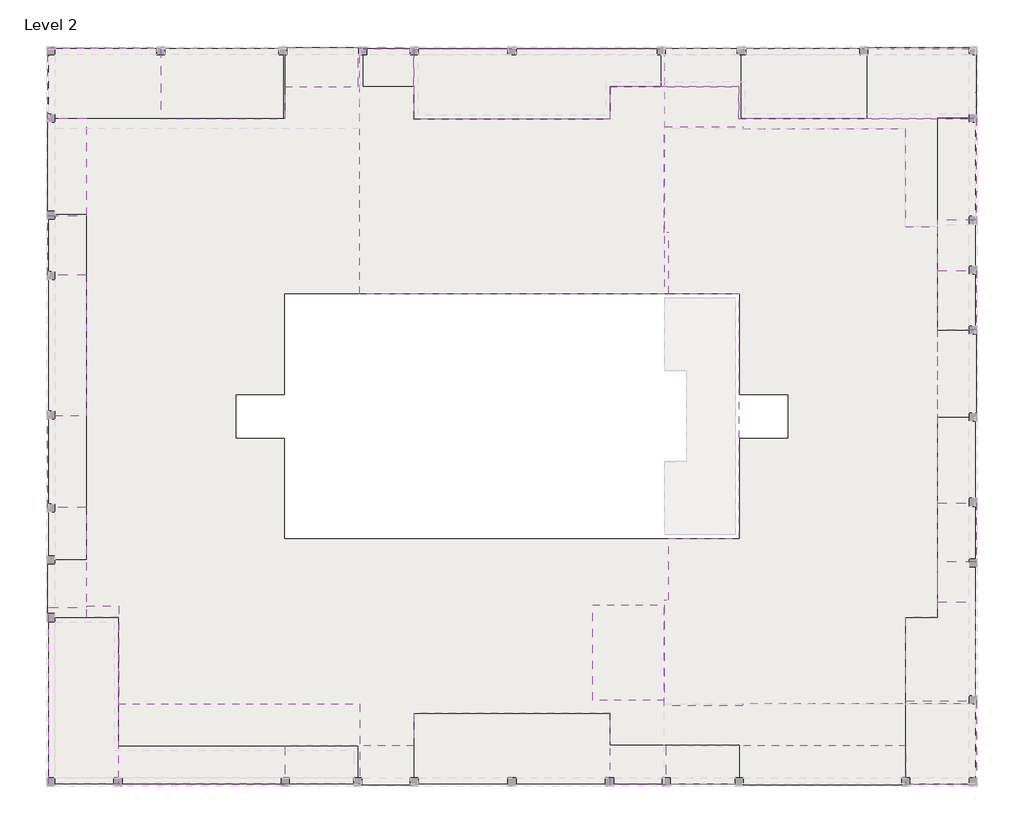
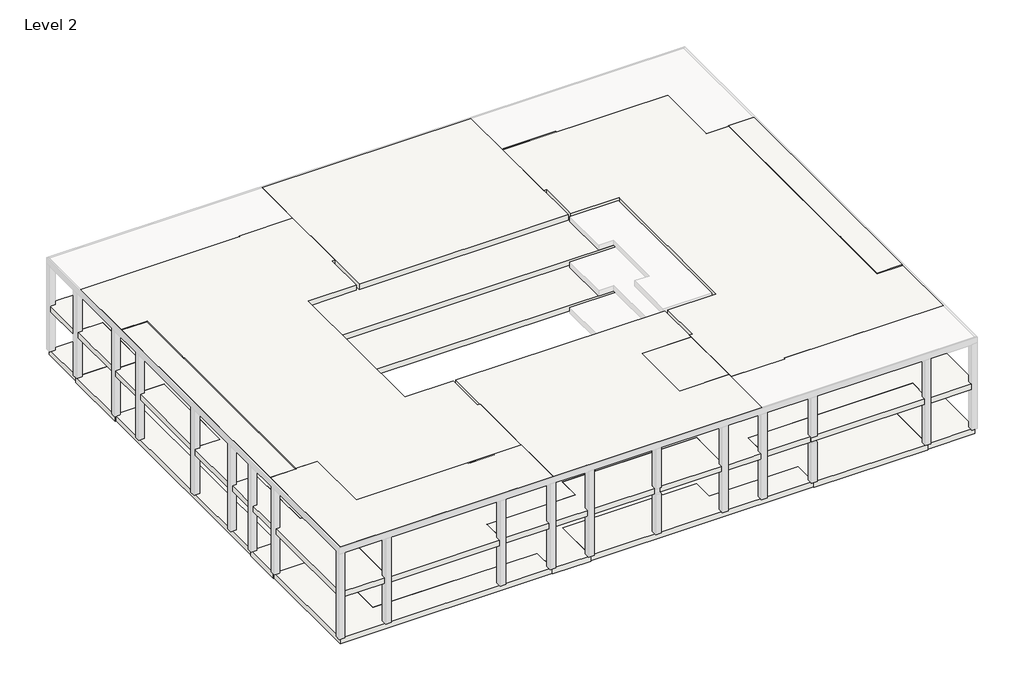
# One storey, part 1 of 3: 8 slabs.
"""IFC4 building model written with IfcOpenShell, lengths in millimetres."""

import ifcopenshell
import ifcopenshell.guid

model = None  # the IFC model being written
_history = None  # IfcOwnerHistory: only IFC2X3 demands one
_inside = {}  # id of a spatial element -> (the spatial element, [elements in it])
_under = {}  # id of a project, library or spatial element -> (it, [spatial elements below it])
_declared = {}  # id of a project -> (the project, [libraries it declares])
_typed = {}  # id of a type object -> (the type object, [elements of that type])
_made_of = {}  # id of a material, layer set ... -> (it, [elements and type objects made of it])


def new_model(schema):
    """Start an empty IFC model of exactly this schema.

    Asked for "IFC4X3", IfcOpenShell would pick the latest addendum, in which some entities
    have other attributes; the version numbers below select the first issue.
    IFC2X3 requires an IfcOwnerHistory on every rooted entity: one is made here for all.
    """
    global model, _history
    if schema == "IFC4X3":
        model = ifcopenshell.file(schema_version=(4, 3, 0, 0))
    else:
        model = ifcopenshell.file(schema=schema)
    _inside.clear()
    _under.clear()
    _declared.clear()
    _typed.clear()
    _made_of.clear()
    _history = None
    if model.schema == "IFC2X3":
        org = make("IfcOrganization", Name="unknown")
        user = make(
            "IfcPersonAndOrganization",
            ThePerson=make("IfcPerson", FamilyName="unknown"),
            TheOrganization=org,
        )
        app = make(
            "IfcApplication",
            ApplicationDeveloper=org,
            Version="unknown",
            ApplicationFullName="unknown",
            ApplicationIdentifier="unknown",
        )
        _history = make(
            "IfcOwnerHistory",
            OwningUser=user,
            OwningApplication=app,
            ChangeAction="ADDED",
            CreationDate=0,
        )
    return model


def make(cls, **values):
    """One entity of the class cls with the attributes given. An attribute that is None is left unset."""
    return model.create_entity(
        cls, **{name: value for name, value in values.items() if value is not None}
    )


def rooted(cls, **values):
    """An entity with a GlobalId (a new one), such as an element, a storey or a relation."""
    return make(cls, GlobalId=ifcopenshell.guid.new(), OwnerHistory=_history, **values)


def si_unit(unit_type, name, prefix=None):
    """IfcSIUnit, for example si_unit("LENGTHUNIT", "METRE", prefix="MILLI")."""
    return make("IfcSIUnit", UnitType=unit_type, Prefix=prefix, Name=name)


def assignment(units):
    """IfcUnitAssignment: the units of a project."""
    return None if units is None else make("IfcUnitAssignment", Units=units)


def point(xyz):
    """IfcCartesianPoint."""
    return None if xyz is None else make("IfcCartesianPoint", Coordinates=xyz)


def direction(xyz):
    """IfcDirection."""
    return None if xyz is None else make("IfcDirection", DirectionRatios=xyz)


def frame(location, z_axis=None, x_axis=None):
    """IfcAxis2Placement3D, a coordinate frame: its origin and axes. An axis left out is left unset."""
    return make(
        "IfcAxis2Placement3D",
        Location=point(location),
        Axis=direction(z_axis),
        RefDirection=direction(x_axis),
    )


def origin():
    """The frame at (0, 0, 0) with its axes left unset."""
    return frame((0.0, 0.0, 0.0))


def place(relative_to, where):
    """IfcLocalPlacement: puts the frame where relative to a parent placement (None: the world)."""
    return make(
        "IfcLocalPlacement", PlacementRelTo=relative_to, RelativePlacement=where
    )


def context(
    kind, dimensions, precision=None, world=None, true_north=None, identifier=None
):
    """IfcGeometricRepresentationContext, for example the 3D "Model" context."""
    return make(
        "IfcGeometricRepresentationContext",
        ContextIdentifier=identifier,
        ContextType=kind,
        CoordinateSpaceDimension=dimensions,
        Precision=precision,
        WorldCoordinateSystem=world,
        TrueNorth=true_north,
    )


def project(units=None, contexts=None):
    """IfcProject with its units and contexts."""
    return rooted(
        "IfcProject",
        Name="project",
        RepresentationContexts=contexts,
        UnitsInContext=assignment(units),
    )


def spatial(cls, under=None, at=None, **own):
    """A site, building, storey or space (cls), placed at a placement, below another one or the project."""
    s = rooted(cls, ObjectPlacement=at, **own)
    if under is not None:
        _under.setdefault(under.id(), (under, []))[1].append(s)
    return s


def polyline(points):
    """IfcPolyline through the points."""
    return make("IfcPolyline", Points=[point(p) for p in points])


def outline(outer, holes=None, kind="AREA"):
    """IfcArbitraryClosedProfileDef: a profile drawn as a closed curve; with holes, ...WithVoids."""
    if holes is None:
        return make("IfcArbitraryClosedProfileDef", ProfileType=kind, OuterCurve=outer)
    return make(
        "IfcArbitraryProfileDefWithVoids",
        ProfileType=kind,
        OuterCurve=outer,
        InnerCurves=holes,
    )


def extrude(swept, where, along, depth):
    """IfcExtrudedAreaSolid: the profile swept, set in the frame where, extruded along a direction by depth."""
    return make(
        "IfcExtrudedAreaSolid",
        SweptArea=swept,
        Position=where,
        ExtrudedDirection=direction(along),
        Depth=depth,
    )


def faces_of(points, faces, orient=None, outer=None):
    """IfcFace entities. A face is a list of loops; a loop is a list of indices into points, from 0.

    orient and outer hold one flag for each loop. By default every Orientation is true, the
    first loop of a face is its IfcFaceOuterBound and the others are IfcFaceBound.
    """
    made = []
    for i, loops in enumerate(faces):
        bounds = []
        for j, loop in enumerate(loops):
            is_outer = j == 0 if outer is None else outer[i][j]
            bounds.append(
                make(
                    "IfcFaceOuterBound" if is_outer else "IfcFaceBound",
                    Bound=make("IfcPolyLoop", Polygon=[points[k] for k in loop]),
                    Orientation=True if orient is None else orient[i][j],
                )
            )
        made.append(make("IfcFace", Bounds=bounds))
    return made


def faceted_brep(points, faces, orient=None, outer=None, voids=None):
    """IfcFacetedBrep: a solid bounded by flat faces; with voids (closed shells), ...WithVoids."""
    shared = [point(p) for p in points]
    hull = make("IfcClosedShell", CfsFaces=faces_of(shared, faces, orient, outer))
    if voids is None:
        return make("IfcFacetedBrep", Outer=hull)
    return make(
        "IfcFacetedBrepWithVoids",
        Outer=hull,
        Voids=[
            make(cls, CfsFaces=faces_of(shared, fs, o, b)) for cls, fs, o, b in voids
        ],
    )


def shape(context_of_items, identifier, shape_type, items):
    """IfcShapeRepresentation: the items that make up one representation, for example the "Body"."""
    return make(
        "IfcShapeRepresentation",
        ContextOfItems=context_of_items,
        RepresentationIdentifier=identifier,
        RepresentationType=shape_type,
        Items=items,
    )


def made_of(thing, what):
    """Note that an element or type object is made of a material, layer set ...; save() writes the relation."""
    if what is not None:
        _made_of.setdefault(what.id(), (what, []))[1].append(thing)
    return thing


def element(
    cls,
    number,
    at=None,
    inside=None,
    cuts=None,
    type_object=None,
    material=None,
    context=None,
    identifier="Body",
    shape_type=None,
    held_by="IfcProductDefinitionShape",
    body=None,
    shapes=None,
    **own,
):
    """One element of the class cls, such as IfcWall. Its Tag is "e" and its number.

    at: its placement. inside: the storey or other place that contains it. cuts: it is an
    opening in that element (IfcRelVoidsElement). A single representation is given by context,
    identifier, shape_type and body (its items); several are given by shapes. held_by: the class
    of the entity that holds the representations. save() writes the other relations.
    """
    e = rooted(cls, Tag="e%d" % number, ObjectPlacement=at, **own)
    if body is not None:
        shapes = [shape(context, identifier, shape_type, body)]
    if shapes is not None:
        e.Representation = make(held_by, Representations=shapes)
    if inside is not None:
        _inside.setdefault(inside.id(), (inside, []))[1].append(e)
    if cuts is not None:
        rooted(
            "IfcRelVoidsElement", RelatingBuildingElement=cuts, RelatedOpeningElement=e
        )
    if type_object is not None:
        _typed.setdefault(type_object.id(), (type_object, []))[1].append(e)
    return made_of(e, material)


def aggregate(whole, parts):
    """IfcRelAggregates: a whole, such as a stair, and the parts it consists of."""
    return rooted("IfcRelAggregates", RelatingObject=whole, RelatedObjects=parts)


def save(model, path):
    """Write the relations noted so far, then the file.

    IfcRelAggregates (storeys below a building ...), IfcRelContainedInSpatialStructure (elements
    in a storey), IfcRelDefinesByType, IfcRelAssociatesMaterial and IfcRelDeclares: one each for
    every whole, place, type object, material and project.
    """
    for whole, parts in _under.values():
        aggregate(whole, parts)
    for where, things in _inside.values():
        rooted(
            "IfcRelContainedInSpatialStructure",
            RelatedElements=things,
            RelatingStructure=where,
        )
    for kind, things in _typed.values():
        rooted("IfcRelDefinesByType", RelatedObjects=things, RelatingType=kind)
    for what, things in _made_of.values():
        rooted("IfcRelAssociatesMaterial", RelatedObjects=things, RelatingMaterial=what)
    for by, libraries in _declared.values():
        rooted("IfcRelDeclares", RelatingContext=by, RelatedDefinitions=libraries)
    model.write(path)


model = new_model("IFC4")

# Units and contexts
model_context = context("Model", 3, world=origin())
ifc_project = project(units=[si_unit("LENGTHUNIT", "METRE", prefix="MILLI")], contexts=[model_context])

# Site, building, storey
site = spatial("IfcSite", under=ifc_project)
building = spatial("IfcBuilding", under=site)
storey = spatial("IfcBuildingStorey", under=building, Name="Level 2", Elevation=4000.0)

# Slabs
placement = place(None, origin())
element("IfcSlab", 1, at=placement, inside=storey, context=model_context, shape_type="Brep", body=[
    faceted_brep([(46148.6038805, 6298.5104675, 2600.0), (43228.6038804, 6298.5104675, 2600.0), (43228.6038804, 13268.5104691, 2600.0), (44568.6038805, 13268.5104691, 2600.0), (44568.6038805, 21671.010467, 2600.0), (46148.6038805, 21671.010467, 2600.0), (43228.6038804, 6298.5104675, 2950.0), (46148.6038805, 6298.5104675, 2950.0), (46148.6038805, 21671.010467, 2950.0), (44568.6038805, 21671.010467, 2950.0), (44568.6038805, 13268.5104691, 2950.0), (43228.6038804, 13268.5104691, 2950.0)], [[[0, 1, 2, 3, 4, 5]], [[6, 7, 8, 9, 10, 11]], [[1, 0, 7, 6]], [[3, 2, 11, 10]], [[2, 1, 6, 11]], [[4, 3, 10, 9]], [[5, 4, 9, 8]], [[0, 5, 8, 7]]]),
    faceted_brep([(30858.6038805, 9248.5104553, 2600.0), (30858.6038805, 7918.5104675, 2600.0), (36283.6038682, 7918.5104675, 2600.0), (36283.6038682, 6298.5104675, 2600.0), (22638.6038804, 6298.5104675, 2600.0), (22638.6038804, 9248.5104553, 2600.0), (30858.6038805, 7918.5104675, 2950.0), (30858.6038805, 9248.5104553, 2950.0), (22638.6038804, 9248.5104553, 2950.0), (22638.6038804, 6298.5104675, 2950.0), (36283.6038682, 6298.5104675, 2950.0), (36283.6038682, 7918.5104675, 2950.0)], [[[0, 1, 2, 3, 4, 5]], [[6, 7, 8, 9, 10, 11]], [[1, 0, 7, 6]], [[5, 4, 9, 8]], [[0, 5, 8, 7]], [[2, 1, 6, 11]], [[3, 2, 11, 10]], [[4, 3, 10, 9]]]),
    faceted_brep([(10268.6038805, 13268.5104691, 2600.0), (10268.6038805, 7878.5104675, 2600.0), (20303.6038682, 7878.5104675, 2600.0), (20303.6038682, 6298.5104675, 2600.0), (7348.6038805, 6298.5104675, 2600.0), (7348.6038805, 13268.5104691, 2600.0), (10268.6038805, 7878.5104675, 2950.0), (10268.6038805, 13268.5104691, 2950.0), (7348.6038805, 13268.5104691, 2950.0), (7348.6038805, 6298.5104675, 2950.0), (20303.6038682, 6298.5104675, 2950.0), (20303.6038682, 7878.5104675, 2950.0)], [[[0, 1, 2, 3, 4, 5]], [[6, 7, 8, 9, 10, 11]], [[1, 0, 7, 6]], [[2, 1, 6, 11]], [[5, 4, 9, 8]], [[0, 5, 8, 7]], [[3, 2, 11, 10]], [[4, 3, 10, 9]]]),
    faceted_brep([(8928.6038805, 30163.5104659, 2600.0), (8928.6038805, 15668.5104691, 2600.0), (7348.6038805, 15668.5104691, 2600.0), (7348.6038805, 30011.0104659, 2600.0), (7348.6038805, 30163.5104659, 2600.0), (8928.6038805, 15668.5104691, 2950.0), (8928.6038805, 30163.5104659, 2950.0), (7348.6038805, 30163.5104659, 2950.0), (7348.6038805, 30011.0104659, 2950.0), (7348.6038805, 15668.5104691, 2950.0)], [[[0, 1, 2, 3, 4]], [[5, 6, 7, 8, 9]], [[1, 0, 6, 5]], [[2, 1, 5, 9]], [[4, 3, 2, 9, 8, 7]], [[0, 4, 7, 6]]]),
    faceted_brep([(17168.6038682, 34178.5104675, 2600.0), (7348.6038805, 34178.5104675, 2600.0), (7348.6038805, 37098.5104675, 2600.0), (17168.6038682, 37098.5104675, 2600.0), (7348.6038805, 34178.5104675, 2950.0), (17168.6038682, 34178.5104675, 2950.0), (17168.6038682, 37098.5104675, 2950.0), (7348.6038805, 37098.5104675, 2950.0)], [[[0, 1, 2, 3]], [[4, 5, 6, 7]], [[1, 0, 5, 4]], [[3, 2, 7, 6]], [[2, 1, 4, 7]], [[0, 3, 6, 5]]]),
    faceted_brep([(33003.6038927, 35518.5108026, 2600.0), (30858.6038804, 35518.5108026, 2600.0), (30858.6038804, 34148.5104797, 2600.0), (22638.6038804, 34148.5104797, 2600.0), (22638.6038804, 35518.5104675, 2600.0), (20493.6038682, 35518.5104675, 2600.0), (20493.6038682, 37098.5104675, 2600.0), (33003.6038927, 37098.5104675, 2600.0), (33003.6038927, 36858.5114313, 2600.0), (30858.6038804, 35518.5108026, 2950.0), (33003.6038927, 35518.5108026, 2950.0), (33003.6038927, 37098.5104675, 2950.0), (20493.6038682, 37098.5104675, 2950.0), (20493.6038682, 35518.5104675, 2950.0), (22638.6038804, 35518.5104675, 2950.0), (22638.6038804, 34148.5104797, 2950.0), (30858.6038804, 34148.5104797, 2950.0)], [[[0, 1, 2, 3, 4, 5, 6, 7, 8]], [[9, 10, 11, 12, 13, 14, 15, 16]], [[1, 0, 10, 9]], [[2, 1, 9, 16]], [[3, 2, 16, 15]], [[4, 3, 15, 14]], [[5, 4, 14, 13]], [[6, 5, 13, 12]], [[7, 6, 12, 11]], [[11, 10, 0, 8, 7]]]),
    faceted_brep([(41628.6038866, 34178.5094848, 2600.0), (36333.6038805, 34178.5094848, 2600.0), (36333.6038805, 36858.5114313, 2600.0), (36333.6038805, 37098.5114313, 2600.0), (41488.6038866, 37098.5114313, 2600.0), (41628.6038866, 37098.5114313, 2600.0), (36333.6038805, 34178.5094848, 2950.0), (41628.6038866, 34178.5094848, 2950.0), (41628.6038866, 37098.5114313, 2950.0), (41488.6038866, 37098.5114313, 2950.0), (36333.6038805, 37098.5114313, 2950.0)], [[[0, 1, 2, 3, 4, 5]], [[6, 7, 8, 9, 10]], [[1, 0, 7, 6]], [[6, 10, 3, 2, 1]], [[5, 4, 3, 10, 9, 8]], [[0, 5, 8, 7]]]),
    faceted_brep([(46148.6038805, 34206.0104486, 2600.0), (46148.6038805, 25428.5104659, 2600.0), (46148.6038805, 25288.5104659, 2600.0), (44568.6038805, 25288.5104659, 2600.0), (44568.6038805, 34206.0104486, 2600.0), (46148.6038805, 25288.5104659, 2950.0), (46148.6038805, 25428.5104659, 2950.0), (46148.6038805, 34206.0104486, 2950.0), (44568.6038805, 34206.0104486, 2950.0), (44568.6038805, 25288.5104659, 2950.0)], [[[0, 1, 2, 3, 4]], [[5, 6, 7, 8, 9]], [[2, 1, 0, 7, 6, 5]], [[4, 3, 9, 8]], [[3, 2, 5, 9]], [[0, 4, 8, 7]]]),
])
element("IfcSlab", 2, at=placement, inside=storey, context=model_context, shape_type="SweptSolid", body=[
    extrude(outline(polyline([(20363.6038682, 37098.5104675), (33133.6038927, 37098.5104675), (33133.6038927, 26828.5104797), (20363.6038682, 26828.5104797), (20363.6038682, 37098.5104675)])), frame((0.0, 0.0, 8500.0), z_axis=(0.0, 0.0, 1.0), x_axis=(1.0, 0.0, 0.0)), (0.0, 0.0, 1.0), 350.0),
    extrude(outline(polyline([(46148.6038805, 13983.5104681), (44628.6038805, 13983.5104681), (44628.6038805, 29713.5104633), (46148.6038805, 29713.5104633), (46148.6038805, 13983.5104681)])), frame((0.0, 0.0, 8500.0), z_axis=(0.0, 0.0, 1.0), x_axis=(1.0, 0.0, 0.0)), (0.0, 0.0, 1.0), 350.0),
    extrude(outline(polyline([(8868.6038805, 13688.5104691), (7348.6038805, 13688.5104691), (7348.6038805, 29413.5104659), (8868.6038805, 29413.5104659), (8868.6038805, 13688.5104691)])), frame((0.0, 0.0, 8500.0), z_axis=(0.0, 0.0, 1.0), x_axis=(1.0, 0.0, 0.0)), (0.0, 0.0, 1.0), 350.0),
    extrude(outline(polyline([(20363.6038682, 6298.5104675), (20363.6038682, 16568.5104553), (33133.6038927, 16568.5104553), (33133.6038927, 13783.5104681), (30133.6038927, 13783.5104681), (30133.6038927, 9788.5104665), (33133.6038927, 9788.5104665), (33133.6038927, 6298.5104675), (20363.6038682, 6298.5104675)])), frame((0.0, 0.0, 8500.0), z_axis=(0.0, 0.0, 1.0), x_axis=(1.0, 0.0, 0.0)), (0.0, 0.0, 1.0), 350.0),
])
element("IfcSlab", 3, at=placement, inside=storey, context=model_context, shape_type="Brep", body=[
    faceted_brep([(46148.6038805, 34178.5104486, 5550.0), (36258.6038804, 34178.5104486, 5550.0), (36258.6038804, 35518.5108026, 5550.0), (30858.6038804, 35518.5108026, 5550.0), (30858.6038804, 34148.5104797, 5550.0), (22638.6038804, 34148.5104797, 5550.0), (22638.6038805, 35518.5104675, 5550.0), (22638.6038804, 37098.5104675, 5550.0), (46148.6038805, 37098.5104675, 5550.0), (36258.6038804, 34178.5104486, 5900.0), (46148.6038805, 34178.5104486, 5900.0), (46148.6038805, 37098.5104675, 5900.0), (22638.6038804, 37098.5104675, 5900.0), (22638.6038805, 35518.5104675, 5900.0), (22638.6038804, 34148.5104797, 5900.0), (30858.6038804, 34148.5104797, 5900.0), (30858.6038804, 35518.5108026, 5900.0), (36258.6038804, 35518.5108026, 5900.0)], [[[0, 1, 2, 3, 4, 5, 6, 7, 8]], [[9, 10, 11, 12, 13, 14, 15, 16, 17]], [[1, 0, 10, 9]], [[2, 1, 9, 17]], [[3, 2, 17, 16]], [[4, 3, 16, 15]], [[5, 4, 15, 14]], [[5, 14, 13, 12, 7, 6]], [[0, 8, 11, 10]], [[8, 7, 12, 11]]]),
    faceted_brep([(20303.6038682, 35518.5104675, 5550.0), (17238.6038682, 35518.5104675, 5550.0), (17238.6038682, 34178.5104675, 5550.0), (12028.6038682, 34178.5104675, 5550.0), (12028.6038682, 37098.5104675, 5550.0), (20303.6038682, 37098.5104675, 5550.0), (17238.6038682, 35518.5104675, 5900.0), (20303.6038682, 35518.5104675, 5900.0), (20303.6038682, 37098.5104675, 5900.0), (12028.6038682, 37098.5104675, 5900.0), (12028.6038682, 34178.5104675, 5900.0), (17238.6038682, 34178.5104675, 5900.0)], [[[0, 1, 2, 3, 4, 5]], [[6, 7, 8, 9, 10, 11]], [[1, 0, 7, 6]], [[2, 1, 6, 11]], [[3, 2, 11, 10]], [[5, 4, 9, 8]], [[0, 5, 8, 7]], [[4, 3, 10, 9]]]),
    faceted_brep([(30858.6038805, 9248.5104553, 5550.0), (30858.6038805, 6298.5104675, 5550.0), (26918.6038805, 6298.5104675, 5550.0), (26918.6038805, 6538.5104675, 5550.0), (26578.6038805, 6538.5104675, 5550.0), (26578.6038805, 6298.5104675, 5550.0), (17218.6038682, 6298.5104675, 5550.0), (17218.6038682, 7878.5104675, 5550.0), (22638.6038804, 7878.5104675, 5550.0), (22638.6038804, 9248.5104553, 5550.0), (30858.6038805, 6298.5104675, 5900.0), (30858.6038805, 9248.5104553, 5900.0), (22638.6038804, 9248.5104553, 5900.0), (22638.6038804, 7878.5104675, 5900.0), (17218.6038682, 7878.5104675, 5900.0), (17218.6038682, 6298.5104675, 5900.0), (26578.6038805, 6298.5104675, 5900.0), (26578.6038805, 6538.5104675, 5900.0), (26918.6038805, 6538.5104675, 5900.0), (26918.6038805, 6298.5104675, 5900.0)], [[[0, 1, 2, 3, 4, 5, 6, 7, 8, 9]], [[10, 11, 12, 13, 14, 15, 16, 17, 18, 19]], [[1, 0, 11, 10]], [[9, 8, 13, 12]], [[0, 9, 12, 11]], [[8, 7, 14, 13]], [[1, 10, 19, 2]], [[15, 6, 5, 16]], [[7, 6, 15, 14]], [[4, 17, 16, 5]], [[17, 4, 3, 18]], [[18, 3, 2, 19]]]),
    faceted_brep([(43228.6038804, 13268.5104691, 5550.0), (44568.6038805, 13268.5104691, 5550.0), (44568.6038805, 15583.5104691, 5550.0), (46148.6038805, 15583.5104691, 5550.0), (46148.6038805, 9778.5104665, 5550.0), (43228.6038804, 9778.5104665, 5550.0), (44568.6038805, 13268.5104691, 5900.0), (43228.6038804, 13268.5104691, 5900.0), (43228.6038804, 9778.5104665, 5900.0), (46148.6038805, 9778.5104665, 5900.0), (46148.6038805, 15583.5104691, 5900.0), (44568.6038805, 15583.5104691, 5900.0)], [[[0, 1, 2, 3, 4, 5]], [[6, 7, 8, 9, 10, 11]], [[1, 0, 7, 6]], [[0, 5, 8, 7]], [[2, 1, 6, 11]], [[3, 2, 11, 10]], [[4, 3, 10, 9]], [[5, 4, 9, 8]]]),
    faceted_brep([(33193.6038927, 7878.5104675, 5550.0), (43268.6038804, 7878.5104675, 5550.0), (43268.6038804, 6538.5104665, 5550.0), (43068.6038804, 6538.5104665, 5550.0), (43068.6038804, 6298.5104675, 5550.0), (33193.6038927, 6298.5104675, 5550.0), (43268.6038804, 7878.5104675, 5900.0), (33193.6038927, 7878.5104675, 5900.0), (33193.6038927, 6298.5104675, 5900.0), (43068.6038804, 6298.5104675, 5900.0), (43068.6038804, 6538.5104665, 5900.0), (43268.6038804, 6538.5104665, 5900.0)], [[[0, 1, 2, 3, 4, 5]], [[6, 7, 8, 9, 10, 11]], [[8, 5, 4, 9]], [[1, 0, 7, 6]], [[0, 5, 8, 7]], [[1, 6, 11, 2]], [[3, 10, 9, 4]], [[10, 3, 2, 11]]]),
    faceted_brep([(8928.6038805, 13268.5104691, 5550.0), (10268.6038805, 13268.5104691, 5550.0), (10268.6038805, 6538.5104665, 5550.0), (10073.6038805, 6538.5104665, 5550.0), (10073.6038805, 6298.5104675, 5550.0), (7348.6038805, 6298.5104675, 5550.0), (7348.6038805, 17883.5104681, 5550.0), (8928.6038805, 17883.5104681, 5550.0), (10268.6038805, 13268.5104691, 5900.0), (8928.6038805, 13268.5104691, 5900.0), (8928.6038805, 17883.5104681, 5900.0), (7348.6038805, 17883.5104681, 5900.0), (7348.6038805, 6298.5104675, 5900.0), (10073.6038805, 6298.5104675, 5900.0), (10073.6038805, 6538.5104665, 5900.0), (10268.6038805, 6538.5104665, 5900.0)], [[[0, 1, 2, 3, 4, 5, 6, 7]], [[8, 9, 10, 11, 12, 13, 14, 15]], [[1, 0, 9, 8]], [[1, 8, 15, 2]], [[12, 5, 4, 13]], [[6, 5, 12, 11]], [[7, 6, 11, 10]], [[0, 7, 10, 9]], [[14, 3, 2, 15]], [[3, 14, 13, 4]]]),
    faceted_brep([(44568.6038805, 27813.5104659, 5550.0), (44568.6038805, 29923.5104659, 5550.0), (46148.6038805, 29923.5104659, 5550.0), (46148.6038805, 27813.5104659, 5550.0), (44568.6038805, 29923.5104659, 5900.0), (44568.6038805, 27813.5104659, 5900.0), (46148.6038805, 27813.5104659, 5900.0), (46148.6038805, 29923.5104659, 5900.0)], [[[0, 1, 2, 3]], [[4, 5, 6, 7]], [[1, 0, 5, 4]], [[2, 1, 4, 7]], [[3, 2, 7, 6]], [[0, 3, 6, 5]]]),
    faceted_brep([(44568.6038805, 18073.5104691, 5550.0), (44568.6038805, 25323.5104659, 5550.0), (46148.6038805, 25323.5104659, 5550.0), (46148.6038805, 18073.5104691, 5550.0), (44568.6038805, 25323.5104659, 5900.0), (44568.6038805, 18073.5104691, 5900.0), (46148.6038805, 18073.5104691, 5900.0), (46148.6038805, 25323.5104659, 5900.0)], [[[0, 1, 2, 3]], [[4, 5, 6, 7]], [[1, 0, 5, 4]], [[2, 1, 4, 7]], [[3, 2, 7, 6]], [[0, 3, 6, 5]]]),
    faceted_brep([(8928.6038805, 30111.0104659, 5550.0), (7348.6038805, 30111.0104659, 5550.0), (7348.6038805, 34178.5104675, 5550.0), (8928.6038805, 34178.5104675, 5550.0), (7348.6038805, 30111.0104659, 5900.0), (8928.6038805, 30111.0104659, 5900.0), (8928.6038805, 34178.5104675, 5900.0), (7348.6038805, 34178.5104675, 5900.0)], [[[0, 1, 2, 3]], [[4, 5, 6, 7]], [[5, 0, 3, 6]], [[1, 4, 7, 2]], [[1, 0, 5, 4]], [[3, 2, 7, 6]]]),
    faceted_brep([(8928.6038805, 21726.010467, 5550.0), (7588.6038805, 21726.010467, 5550.0), (7348.6038805, 21726.010467, 5550.0), (7348.6038805, 27626.0104659, 5550.0), (8928.6038805, 27626.0104659, 5550.0), (7348.6038805, 21726.010467, 5900.0), (7588.6038805, 21726.010467, 5900.0), (8928.6038805, 21726.010467, 5900.0), (8928.6038805, 27626.0104659, 5900.0), (7348.6038805, 27626.0104659, 5900.0)], [[[0, 1, 2, 3, 4]], [[5, 6, 7, 8, 9]], [[2, 1, 0, 7, 6, 5]], [[3, 2, 5, 9]], [[4, 3, 9, 8]], [[0, 4, 8, 7]]]),
])
element("IfcSlab", 4, at=placement, inside=storey, context=model_context, shape_type="SweptSolid", body=[
    extrude(outline(polyline([(7351.1038794, 6298.5104665), (7351.1038794, 13688.5104691), (8928.6038805, 13688.5104691), (8928.6038805, 13748.5104665), (10268.6038805, 13748.5104665), (10268.6038805, 9648.5104665), (20363.6038682, 9648.5104665), (20363.6038682, 6298.5104665), (7351.1038794, 6298.5104665)])), frame((0.0, 0.0, 8500.0), z_axis=(0.0, 0.0, 1.0), x_axis=(1.0, 0.0, 0.0)), (0.0, 0.0, 1.0), 350.0),
])
element("IfcSlab", 5, at=placement, inside=storey, context=model_context, shape_type="SweptSolid", body=[
    extrude(outline(polyline([(30133.6038927, 13783.5104681), (33133.6038927, 13783.5104681), (33133.6038927, 9788.5104665), (30133.6038927, 9788.5104665), (30133.6038927, 13783.5104681)])), frame((0.0, 0.0, 8500.0), z_axis=(0.0, 0.0, 1.0), x_axis=(1.0, 0.0, 0.0)), (0.0, 0.0, 1.0), 350.0),
])
element("IfcSlab", 6, ObjectType="G3_Vloer 25-10", at=placement, inside=storey, context=model_context, shape_type="Brep", body=[
    faceted_brep([(17238.6038682, 34178.5104675, 2600.0), (17238.6038682, 37148.5104675, 2600.0), (20493.6038682, 37148.5104675, 2600.0), (20493.6038682, 37098.5104675, 2600.0), (20493.6038682, 35518.5104675, 2600.0), (22638.6038805, 35518.5104675, 2600.0), (22638.6038805, 34148.5104797, 2600.0), (30858.6038805, 34148.5104797, 2600.0), (30858.6038805, 35518.5104675, 2600.0), (33003.6038927, 35518.5104675, 2600.0), (33003.6038927, 36858.5114313, 2600.0), (33003.6038927, 37098.5114313, 2600.0), (36333.6038805, 37098.5114313, 2600.0), (36333.6038805, 36858.5114313, 2600.0), (36333.6038805, 34178.5104675, 2600.0), (41628.6038866, 34178.5094848, 2600.0), (41628.6038866, 37098.5114313, 2600.0), (41488.6038866, 37098.5114313, 2600.0), (41488.6038866, 37148.5104675, 2600.0), (46198.6038805, 37148.5104675, 2600.0), (46198.6038805, 34206.0104486, 2600.0), (46148.6038805, 34206.0104486, 2600.0), (44568.6038805, 34206.0104486, 2600.0), (44568.6038805, 25288.5104659, 2600.0), (46148.6038805, 25288.5104659, 2600.0), (46148.6038805, 25428.5104659, 2600.0), (46198.6038805, 25428.5104659, 2600.0), (46198.6038805, 21671.010467, 2600.0), (46148.6038805, 21671.010467, 2600.0), (44568.6038805, 21671.010467, 2600.0), (44568.6038805, 13268.5104691, 2600.0), (43228.6038804, 13268.5104691, 2600.0), (43228.6038804, 6298.5104675, 2600.0), (43228.6038804, 6248.5104675, 2600.0), (36283.6038682, 6248.5104675, 2600.0), (36283.6038682, 6298.5104675, 2600.0), (36283.6038682, 7918.5104675, 2600.0), (30858.6038805, 7918.5104675, 2600.0), (30858.6038805, 9248.5104553, 2600.0), (22638.6038805, 9248.5104553, 2600.0), (22638.6038805, 6298.5104675, 2600.0), (22638.6038805, 6248.5104675, 2600.0), (20303.6038682, 6248.5104675, 2600.0), (20303.6038682, 6298.5104675, 2600.0), (20303.6038682, 7878.5104675, 2600.0), (10268.6038805, 7878.5104675, 2600.0), (10268.6038805, 13268.5104691, 2600.0), (7348.6038805, 13268.5104691, 2600.0), (7298.6038805, 13268.5104691, 2600.0), (7298.6038805, 15668.5104691, 2600.0), (7348.6038805, 15668.5104691, 2600.0), (8928.6038805, 15668.5104691, 2600.0), (8928.6038805, 30163.5104659, 2600.0), (7348.6038805, 30163.5104659, 2600.0), (7348.6038805, 30011.0104659, 2600.0), (7298.6038805, 30011.0104659, 2600.0), (7298.6038805, 34178.5104675, 2600.0), (7348.6038805, 34178.5104675, 2600.0), (17168.6038682, 34178.5104675, 2600.0), (36278.6038927, 26828.5104798, 2600.0), (17218.6038682, 26828.5104798, 2600.0), (17218.6038682, 22598.510467, 2600.0), (15198.6038682, 22598.510467, 2600.0), (15198.6038682, 20798.510467, 2600.0), (17218.6038682, 20798.510467, 2600.0), (17218.6038682, 16568.5104552, 2600.0), (36278.6038927, 16568.5104552, 2600.0), (36278.6038927, 20798.510467, 2600.0), (38298.6038927, 20798.510467, 2600.0), (38298.6038927, 22598.510467, 2600.0), (36278.6038927, 22598.510467, 2600.0), (17238.6038682, 37148.5104675, 2950.0), (17238.6038682, 34178.5104675, 2950.0), (17168.6038682, 34178.5104675, 2950.0), (7348.6038805, 34178.5104675, 2950.0), (7298.6038805, 34178.5104675, 2950.0), (7298.6038805, 30011.0104659, 2950.0), (7348.6038805, 30011.0104659, 2950.0), (7348.6038805, 30163.5104659, 2950.0), (8928.6038805, 30163.5104659, 2950.0), (8928.6038805, 15668.5104691, 2950.0), (7348.6038805, 15668.5104691, 2950.0), (7298.6038805, 15668.5104691, 2950.0), (7298.6038805, 13268.5104691, 2950.0), (7348.6038805, 13268.5104691, 2950.0), (10268.6038805, 13268.5104691, 2950.0), (10268.6038805, 7878.5104675, 2950.0), (20303.6038682, 7878.5104675, 2950.0), (20303.6038682, 6298.5104675, 2950.0), (20303.6038682, 6248.5104675, 2950.0), (22638.6038805, 6248.5104675, 2950.0), (22638.6038805, 6298.5104675, 2950.0), (22638.6038805, 9248.5104553, 2950.0), (30858.6038805, 9248.5104553, 2950.0), (30858.6038805, 7918.5104675, 2950.0), (36283.6038682, 7918.5104675, 2950.0), (36283.6038682, 6298.5104675, 2950.0), (36283.6038682, 6248.5104675, 2950.0), (43228.6038804, 6248.5104675, 2950.0), (43228.6038804, 6298.5104675, 2950.0), (43228.6038804, 13268.5104691, 2950.0), (44568.6038805, 13268.5104691, 2950.0), (44568.6038805, 21671.010467, 2950.0), (46148.6038805, 21671.010467, 2950.0), (46198.6038805, 21671.010467, 2950.0), (46198.6038805, 25428.5104659, 2950.0), (46148.6038805, 25428.5104659, 2950.0), (46148.6038805, 25288.5104659, 2950.0), (44568.6038805, 25288.5104659, 2950.0), (44568.6038805, 34206.0104486, 2950.0), (46148.6038805, 34206.0104486, 2950.0), (46198.6038805, 34206.0104486, 2950.0), (46198.6038805, 37148.5104675, 2950.0), (41488.6038866, 37148.5104675, 2950.0), (41488.6038866, 37098.5114313, 2950.0), (41628.6038866, 37098.5114313, 2950.0), (41628.6038866, 34178.5094848, 2950.0), (36333.6038805, 34178.5104675, 2950.0), (36333.6038805, 37098.5114313, 2950.0), (33003.6038927, 37098.5114313, 2950.0), (33003.6038927, 35518.5104675, 2950.0), (30858.6038805, 35518.5104675, 2950.0), (30858.6038805, 34148.5104797, 2950.0), (22638.6038805, 34148.5104797, 2950.0), (22638.6038805, 35518.5104675, 2950.0), (20493.6038682, 35518.5104675, 2950.0), (20493.6038682, 37098.5104675, 2950.0), (20493.6038682, 37148.5104675, 2950.0), (17218.6038682, 26828.5104798, 2950.0), (36278.6038927, 26828.5104798, 2950.0), (36278.6038927, 22598.510467, 2950.0), (38298.6038927, 22598.510467, 2950.0), (38298.6038927, 20798.510467, 2950.0), (36278.6038927, 20798.510467, 2950.0), (36278.6038927, 16568.5104552, 2950.0), (17218.6038682, 16568.5104552, 2950.0), (17218.6038682, 20798.510467, 2950.0), (15198.6038682, 20798.510467, 2950.0), (15198.6038682, 22598.510467, 2950.0), (17218.6038682, 22598.510467, 2950.0)], [[[0, 1, 2, 3, 4, 5, 6, 7, 8, 9, 10, 11, 12, 13, 14, 15, 16, 17, 18, 19, 20, 21, 22, 23, 24, 25, 26, 27, 28, 29, 30, 31, 32, 33, 34, 35, 36, 37, 38, 39, 40, 41, 42, 43, 44, 45, 46, 47, 48, 49, 50, 51, 52, 53, 54, 55, 56, 57, 58], [59, 60, 61, 62, 63, 64, 65, 66, 67, 68, 69, 70]], [[71, 72, 73, 74, 75, 76, 77, 78, 79, 80, 81, 82, 83, 84, 85, 86, 87, 88, 89, 90, 91, 92, 93, 94, 95, 96, 97, 98, 99, 100, 101, 102, 103, 104, 105, 106, 107, 108, 109, 110, 111, 112, 113, 114, 115, 116, 117, 118, 119, 120, 121, 122, 123, 124, 125, 126, 127], [128, 129, 130, 131, 132, 133, 134, 135, 136, 137, 138, 139]], [[72, 0, 58, 57, 56, 75, 74, 73]], [[1, 0, 72, 71]], [[5, 4, 125, 124]], [[6, 5, 124, 123]], [[7, 6, 123, 122]], [[60, 59, 129, 128]], [[61, 60, 128, 139]], [[62, 61, 139, 138]], [[63, 62, 138, 137]], [[64, 63, 137, 136]], [[65, 64, 136, 135]], [[66, 65, 135, 134]], [[39, 38, 93, 92]], [[39, 92, 91, 90, 41, 40]], [[45, 44, 87, 86]], [[46, 45, 86, 85]], [[46, 85, 84, 83, 48, 47]], [[51, 80, 79, 52]], [[22, 109, 108, 23]], [[31, 30, 101, 100]], [[31, 100, 99, 98, 33, 32]], [[67, 66, 134, 133]], [[68, 67, 133, 132]], [[69, 68, 132, 131]], [[70, 69, 131, 130]], [[59, 70, 130, 129]], [[14, 117, 116, 15]], [[8, 7, 122, 121]], [[9, 8, 121, 120]], [[14, 13, 12, 118, 117]], [[93, 38, 37, 94]], [[49, 48, 83, 82]], [[49, 82, 81, 80, 51, 50]], [[76, 55, 54, 77]], [[56, 55, 76, 75]], [[2, 1, 71, 127]], [[2, 127, 126, 125, 4, 3]], [[11, 10, 9, 120, 119]], [[12, 11, 119, 118]], [[113, 18, 17, 114]], [[19, 18, 113, 112]], [[20, 19, 112, 111]], [[20, 111, 110, 109, 22, 21]], [[105, 26, 25, 106]], [[27, 26, 105, 104]], [[27, 104, 103, 102, 29, 28]], [[30, 29, 102, 101]], [[34, 33, 98, 97]], [[34, 97, 96, 95, 36, 35]], [[42, 41, 90, 89]], [[42, 89, 88, 87, 44, 43]], [[24, 107, 106, 25]], [[36, 95, 94, 37]], [[53, 78, 77, 54]], [[52, 79, 78, 53]], [[16, 115, 114, 17]], [[15, 116, 115, 16]], [[107, 24, 23, 108]]]),
])
element("IfcSlab", 7, ObjectType="G3_Vloer 25-10", at=placement, inside=storey, context=model_context, shape_type="Brep", body=[
    faceted_brep([(12028.6038682, 34178.5104675, 5550.0), (17238.6038682, 34178.5104675, 5550.0), (17238.6038682, 35518.5104675, 5550.0), (20303.6038682, 35518.5104675, 5550.0), (20303.6038682, 37098.5104675, 5550.0), (20303.6038682, 37148.5104675, 5550.0), (22638.6038804, 37148.5104675, 5550.0), (22638.6038804, 37098.5104675, 5550.0), (22638.6038805, 35518.5104675, 5550.0), (22638.6038805, 34148.5104797, 5550.0), (30858.6038805, 34148.5104797, 5550.0), (30858.6038805, 35518.5104675, 5550.0), (36258.6038927, 35518.5104675, 5550.0), (36258.6038927, 34178.5104675, 5550.0), (46148.6038805, 34178.5104675, 5550.0), (46198.6038805, 34178.5104675, 5550.0), (46198.6038805, 29923.5104659, 5550.0), (46148.6038805, 29923.5104659, 5550.0), (44568.6038805, 29923.5104659, 5550.0), (44568.6038805, 27813.5104659, 5550.0), (46148.6038805, 27813.5104659, 5550.0), (46198.6038805, 27813.5104659, 5550.0), (46198.6038805, 25323.5104659, 5550.0), (46148.6038805, 25323.5104659, 5550.0), (44568.6038805, 25323.5104659, 5550.0), (44568.6038805, 18073.5104691, 5550.0), (46148.6038805, 18073.5104691, 5550.0), (46198.6038805, 18073.5104691, 5550.0), (46198.6038805, 15583.5104691, 5550.0), (46148.6038805, 15583.5104691, 5550.0), (44568.6038805, 15583.5104691, 5550.0), (44568.6038805, 13268.5104691, 5550.0), (43228.595463, 13268.5104691, 5550.0), (43228.595463, 9778.5104665, 5550.0), (46148.6038805, 9778.5104665, 5550.0), (46198.612298, 9778.5104665, 5550.0), (46198.612298, 6538.5104665, 5550.0), (45908.6038805, 6538.5104665, 5550.0), (45908.6038805, 6248.5104663, 5550.0), (43268.6038804, 6248.5104663, 5550.0), (43268.6038804, 6538.5104665, 5550.0), (43268.6038804, 7878.5104677, 5550.0), (33193.6038927, 7878.5104677, 5550.0), (33193.6038927, 6298.5104675, 5550.0), (33193.6038927, 6248.5104665, 5550.0), (30858.6038805, 6248.5104665, 5550.0), (30858.6038805, 6298.5104675, 5550.0), (30858.6038805, 9248.5104553, 5550.0), (22638.6038805, 9248.5104553, 5550.0), (22638.6038805, 7878.5104675, 5550.0), (17218.6038682, 7878.5104675, 5550.0), (17218.6038682, 6298.5104675, 5550.0), (17218.6038682, 6248.5104675, 5550.0), (10268.6038805, 6248.5104675, 5550.0), (10268.6038805, 6538.5104665, 5550.0), (10268.6038805, 13268.5104691, 5550.0), (8928.6038805, 13268.5104691, 5550.0), (8928.6038805, 17883.5104681, 5550.0), (7348.6038805, 17883.5104681, 5550.0), (7298.6038805, 17883.5104681, 5550.0), (7298.6038805, 21581.010467, 5550.0), (7588.6038805, 21581.010467, 5550.0), (7588.6038805, 21726.010467, 5550.0), (8928.6038805, 21726.010467, 5550.0), (8928.6038805, 27626.0104659, 5550.0), (7348.6038805, 27626.0104659, 5550.0), (7298.6000461, 27626.0104659, 5550.0), (7298.6000461, 30111.0104659, 5550.0), (7348.6038805, 30111.0104659, 5550.0), (8928.6077148, 30111.0104659, 5550.0), (8928.6077148, 34178.5104675, 5550.0), (7348.6038805, 34178.5104675, 5550.0), (7298.6038805, 34178.5104675, 5550.0), (7298.6038805, 37148.5104675, 5550.0), (12028.6038682, 37148.5104675, 5550.0), (12028.6038682, 37098.5104675, 5550.0), (36278.6038927, 26828.5104798, 5550.0), (17218.6038682, 26828.5104798, 5550.0), (17218.6038682, 22598.510467, 5550.0), (15198.6038682, 22598.510467, 5550.0), (15198.6038682, 20798.510467, 5550.0), (17218.6038682, 20798.510467, 5550.0), (17218.6038682, 16568.5104552, 5550.0), (36278.6038927, 16568.5104552, 5550.0), (36278.6038927, 20798.510467, 5550.0), (38298.6038927, 20798.510467, 5550.0), (38298.6038927, 22598.510467, 5550.0), (36278.6038927, 22598.510467, 5550.0), (17238.6038682, 34178.5104675, 5900.0), (12028.6038682, 34178.5104675, 5900.0), (12028.6038682, 37098.5104675, 5900.0), (12028.6038682, 37148.5104675, 5900.0), (7298.6038805, 37148.5104675, 5900.0), (7298.6038805, 34178.5104675, 5900.0), (7348.6038805, 34178.5104675, 5900.0), (8928.6077148, 34178.5104675, 5900.0), (8928.6077148, 30111.0104659, 5900.0), (7348.6038805, 30111.0104659, 5900.0), (7298.6000461, 30111.0104659, 5900.0), (7298.6000461, 27626.0104659, 5900.0), (7348.6038805, 27626.0104659, 5900.0), (8928.6038805, 27626.0104659, 5900.0), (8928.6038805, 21726.010467, 5900.0), (7588.6038805, 21726.010467, 5900.0), (7588.6038805, 21581.010467, 5900.0), (7298.6038805, 21581.010467, 5900.0), (7298.6038805, 17883.5104681, 5900.0), (7348.6038805, 17883.5104681, 5900.0), (8928.6038805, 17883.5104681, 5900.0), (8928.6038805, 13268.5104691, 5900.0), (10268.6038805, 13268.5104691, 5900.0), (10268.6038805, 6538.5104665, 5900.0), (10268.6038805, 6248.5104675, 5900.0), (17218.6038682, 6248.5104675, 5900.0), (17218.6038682, 6298.5104675, 5900.0), (17218.6038682, 7878.5104675, 5900.0), (22638.6038805, 7878.5104675, 5900.0), (22638.6038805, 9248.5104553, 5900.0), (30858.6038805, 9248.5104553, 5900.0), (30858.6038805, 6298.5104675, 5900.0), (30858.6038805, 6248.5104665, 5900.0), (33193.6038927, 6248.5104665, 5900.0), (33193.6038927, 6298.5104675, 5900.0), (33193.6038927, 7878.5104677, 5900.0), (43268.6038804, 7878.5104677, 5900.0), (43268.6038804, 6538.5104665, 5900.0), (43268.6038804, 6248.5104663, 5900.0), (45908.6038805, 6248.5104663, 5900.0), (45908.6038805, 6538.5104665, 5900.0), (46198.612298, 6538.5104665, 5900.0), (46198.612298, 9778.5104665, 5900.0), (46148.6038805, 9778.5104665, 5900.0), (43228.595463, 9778.5104665, 5900.0), (43228.595463, 13268.5104691, 5900.0), (44568.6038805, 13268.5104691, 5900.0), (44568.6038805, 15583.5104691, 5900.0), (46148.6038805, 15583.5104691, 5900.0), (46198.6038805, 15583.5104691, 5900.0), (46198.6038805, 18073.5104691, 5900.0), (46148.6038805, 18073.5104691, 5900.0), (44568.6038805, 18073.5104691, 5900.0), (44568.6038805, 25323.5104659, 5900.0), (46148.6038805, 25323.5104659, 5900.0), (46198.6038805, 25323.5104659, 5900.0), (46198.6038805, 27813.5104659, 5900.0), (46148.6038805, 27813.5104659, 5900.0), (44568.6038805, 27813.5104659, 5900.0), (44568.6038805, 29923.5104659, 5900.0), (46148.6038805, 29923.5104659, 5900.0), (46198.6038805, 29923.5104659, 5900.0), (46198.6038805, 34178.5104675, 5900.0), (46148.6038805, 34178.5104675, 5900.0), (36258.6038927, 34178.5104675, 5900.0), (36258.6038927, 35518.5104675, 5900.0), (30858.6038805, 35518.5104675, 5900.0), (30858.6038805, 34148.5104797, 5900.0), (22638.6038805, 34148.5104797, 5900.0), (22638.6038805, 35518.5104675, 5900.0), (22638.6038804, 37098.5104675, 5900.0), (22638.6038804, 37148.5104675, 5900.0), (20303.6038682, 37148.5104675, 5900.0), (20303.6038682, 37098.5104675, 5900.0), (20303.6038682, 35518.5104675, 5900.0), (17238.6038682, 35518.5104675, 5900.0), (17218.6038682, 26828.5104798, 5900.0), (36278.6038927, 26828.5104798, 5900.0), (36278.6038927, 22598.510467, 5900.0), (38298.6038927, 22598.510467, 5900.0), (38298.6038927, 20798.510467, 5900.0), (36278.6038927, 20798.510467, 5900.0), (36278.6038927, 16568.5104552, 5900.0), (17218.6038682, 16568.5104552, 5900.0), (17218.6038682, 20798.510467, 5900.0), (15198.6038682, 20798.510467, 5900.0), (15198.6038682, 22598.510467, 5900.0), (17218.6038682, 22598.510467, 5900.0)], [[[0, 1, 2, 3, 4, 5, 6, 7, 8, 9, 10, 11, 12, 13, 14, 15, 16, 17, 18, 19, 20, 21, 22, 23, 24, 25, 26, 27, 28, 29, 30, 31, 32, 33, 34, 35, 36, 37, 38, 39, 40, 41, 42, 43, 44, 45, 46, 47, 48, 49, 50, 51, 52, 53, 54, 55, 56, 57, 58, 59, 60, 61, 62, 63, 64, 65, 66, 67, 68, 69, 70, 71, 72, 73, 74, 75], [76, 77, 78, 79, 80, 81, 82, 83, 84, 85, 86, 87]], [[88, 89, 90, 91, 92, 93, 94, 95, 96, 97, 98, 99, 100, 101, 102, 103, 104, 105, 106, 107, 108, 109, 110, 111, 112, 113, 114, 115, 116, 117, 118, 119, 120, 121, 122, 123, 124, 125, 126, 127, 128, 129, 130, 131, 132, 133, 134, 135, 136, 137, 138, 139, 140, 141, 142, 143, 144, 145, 146, 147, 148, 149, 150, 151, 152, 153, 154, 155, 156, 157, 158, 159, 160, 161, 162, 163], [164, 165, 166, 167, 168, 169, 170, 171, 172, 173, 174, 175]], [[1, 0, 89, 88]], [[2, 1, 88, 163]], [[9, 8, 157, 156]], [[10, 9, 156, 155]], [[77, 76, 165, 164]], [[78, 77, 164, 175]], [[79, 78, 175, 174]], [[80, 79, 174, 173]], [[81, 80, 173, 172]], [[82, 81, 172, 171]], [[83, 82, 171, 170]], [[48, 47, 118, 117]], [[49, 48, 117, 116]], [[50, 49, 116, 115]], [[55, 54, 53, 112, 111, 110]], [[56, 55, 110, 109]], [[70, 69, 96, 95]], [[19, 18, 147, 146]], [[32, 31, 134, 133]], [[33, 32, 133, 132]], [[42, 41, 124, 123]], [[84, 83, 170, 169]], [[85, 84, 169, 168]], [[86, 85, 168, 167]], [[87, 86, 167, 166]], [[76, 87, 166, 165]], [[15, 14, 13, 152, 151, 150]], [[11, 10, 155, 154]], [[12, 11, 154, 153]], [[13, 12, 153, 152]], [[47, 46, 45, 120, 119, 118]], [[3, 2, 163, 162]], [[5, 4, 3, 162, 161, 160]], [[6, 5, 160, 159]], [[8, 7, 6, 159, 158, 157]], [[16, 15, 150, 149]], [[18, 17, 16, 149, 148, 147]], [[21, 20, 19, 146, 145, 144]], [[22, 21, 144, 143]], [[24, 23, 22, 143, 142, 141]], [[25, 24, 141, 140]], [[72, 71, 70, 95, 94, 93]], [[73, 72, 93, 92]], [[74, 73, 92, 91]], [[0, 75, 74, 91, 90, 89]], [[27, 26, 25, 140, 139, 138]], [[28, 27, 138, 137]], [[30, 29, 28, 137, 136, 135]], [[31, 30, 135, 134]], [[35, 34, 33, 132, 131, 130]], [[35, 130, 129, 36]], [[126, 39, 38, 127]], [[41, 40, 39, 126, 125, 124]], [[44, 43, 42, 123, 122, 121]], [[45, 44, 121, 120]], [[52, 51, 50, 115, 114, 113]], [[53, 52, 113, 112]], [[57, 56, 109, 108]], [[59, 58, 57, 108, 107, 106]], [[59, 106, 105, 60]], [[102, 63, 62, 103]], [[64, 63, 102, 101]], [[66, 65, 64, 101, 100, 99]], [[67, 66, 99, 98]], [[69, 68, 67, 98, 97, 96]], [[37, 128, 127, 38]], [[128, 37, 36, 129]], [[61, 104, 103, 62]], [[104, 61, 60, 105]]]),
])
element("IfcSlab", 8, ObjectType="G3_Vloer 25-10", at=placement, inside=storey, context=model_context, shape_type="SweptSolid", body=[
    extrude(outline(polyline([(7348.6038805, 33748.5104675), (17073.6038682, 33748.5104675), (17073.6038682, 33828.5104675), (20363.6038682, 33828.5104675), (20363.6038682, 29393.5104659), (20183.6038682, 29393.5104659), (20183.6038682, 26828.5104797), (17218.6038682, 26828.5104797), (17218.6038682, 16568.5104543), (20183.6038682, 16568.5104543), (20183.6038682, 14008.5104691), (20363.6038682, 14008.5104691), (20363.6038682, 9568.5104665), (17073.6038682, 9568.5104665), (17073.6038682, 9648.5104665), (10268.6038805, 9648.5104665), (10268.6038805, 13748.5104691), (8928.6038805, 13748.5104691), (8928.6038805, 29473.5104659), (7348.6038805, 29473.5104659), (7348.6038805, 33748.5104675)])), frame((0.0, 0.0, 8500.0), z_axis=(0.0, 0.0, 1.0), x_axis=(1.0, 0.0, 0.0)), (0.0, 0.0, 1.0), 350.0),
    extrude(outline(polyline([(46148.6038805, 9648.5104665), (36423.6038927, 9648.5104665), (36423.6038927, 9568.5104665), (33133.6038927, 9568.5104665), (33133.6038927, 14003.5104681), (33313.6038927, 14003.5104681), (33313.6038927, 16568.5104543), (36278.6038927, 16568.5104543), (36278.6038927, 26828.5104797), (33313.6038927, 26828.5104797), (33313.6038927, 29393.5104659), (33133.6038927, 29393.5104659), (33133.6038927, 33828.5104675), (36423.6038927, 33828.5104675), (36423.6038927, 33748.5104675), (43228.6038805, 33748.5104675), (43228.6038805, 29653.5104659), (44568.6038805, 29653.5104659), (44568.6038805, 13923.5104681), (46148.6038805, 13923.5104681), (46148.6038805, 9648.5104665)])), frame((0.0, 0.0, 8500.0), z_axis=(0.0, 0.0, 1.0), x_axis=(1.0, 0.0, 0.0)), (0.0, 0.0, 1.0), 350.0),
])

save(model, "model.ifc")
